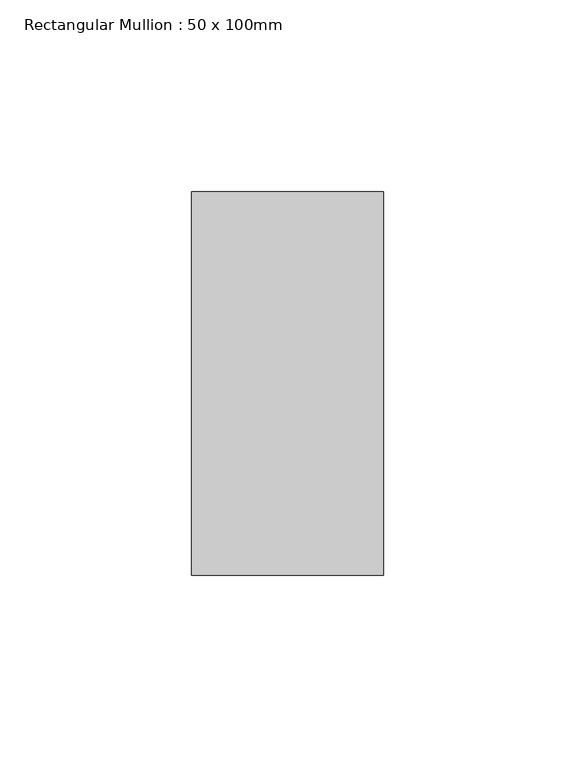
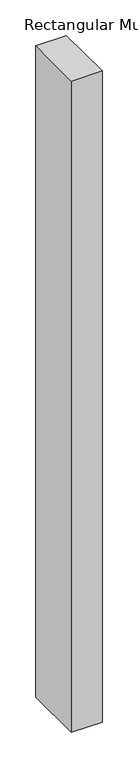
"""IFC4 building model written with IfcOpenShell, lengths in millimetres: member geometry, Rectangular Mullion : 50 x 100mm."""

from ifc_helpers import new_model, si_unit, frame, origin, place, context, project, spatial, polyline, outline, extrude, source, transform, mapped, element, save


def rectangular_mullion_50_x_100mm_363f6e4f(model_context):
    return source(origin(), model_context, "Body", "SweptSolid", [
        extrude(outline(polyline([(0.0, 50.0), (0.0, -50.0), (-50.0, -50.0), (-50.0, 50.0), (0.0, 50.0)])), frame((0.0, 0.0, -1116.6666667), z_axis=(0.0, 0.0, 1.0), x_axis=(1.0, 0.0, 0.0)), (0.0, 0.0, 1.0), 1116.6666667),
    ])


if __name__ == "__main__":
    model = new_model("IFC4")
    model_context = context("Model", 3, world=origin())
    ifc_project = project(units=[si_unit("LENGTHUNIT", "METRE", prefix="MILLI")], contexts=[model_context])
    site = spatial("IfcSite", under=ifc_project)
    building = spatial("IfcBuilding", under=site)
    placement = place(None, origin())
    rectangular_mullion_50_x_100mm_shape = rectangular_mullion_50_x_100mm_363f6e4f(model_context)
    element("IfcMember", 1, ObjectType="Rectangular Mullion : 50 x 100mm", at=placement, inside=building, context=model_context, shape_type="MappedRepresentation", body=[
        mapped(rectangular_mullion_50_x_100mm_shape, transform((0.0, 0.0, 0.0), x_axis=(1.0, 0.0, 0.0), y_axis=(0.0, 1.0, 0.0), z_axis=(0.0, 0.0, 1.0))),
    ])
    save(model, "model.ifc")
